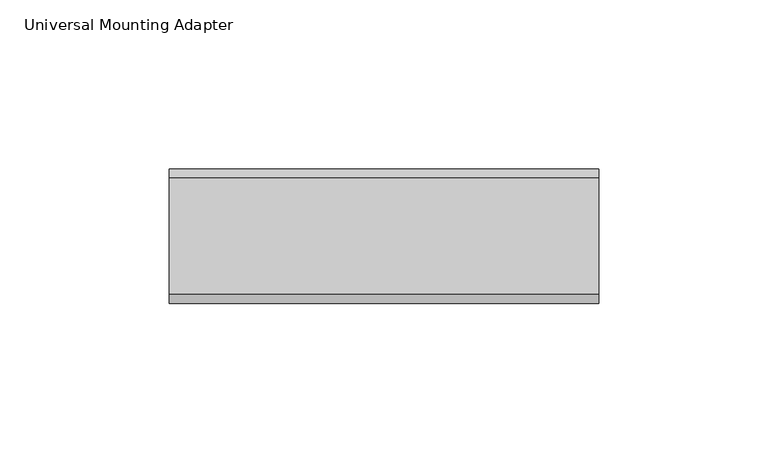
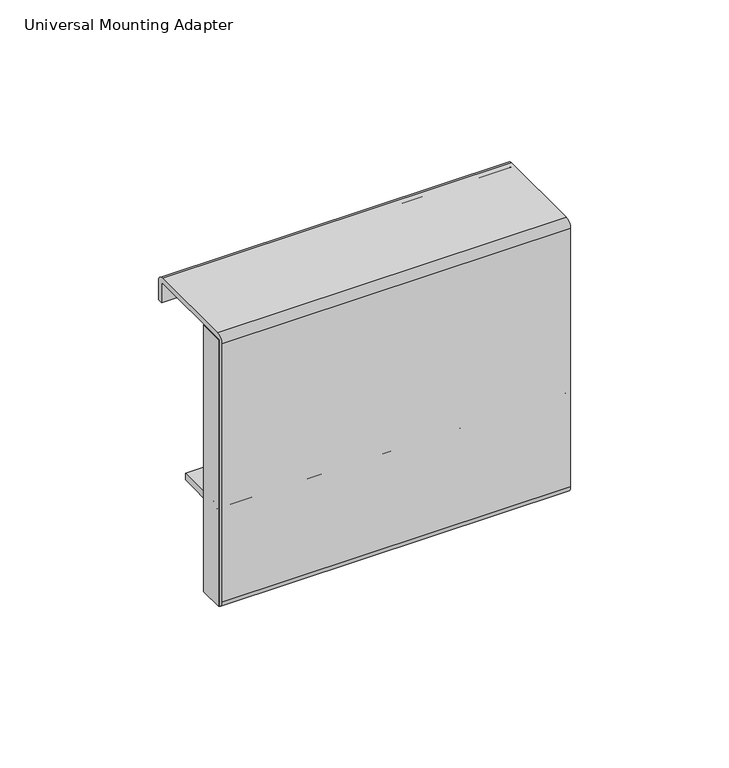
"""IFC4 building model written with IfcOpenShell, lengths in millimetres: furniture geometry, Universal Mounting Adapter."""

from ifc_helpers import new_model, si_unit, point, frame, frame_2d, origin, place, context, project, spatial, polyline, circle_curve, trimmed, segment, composite_curve, outline, extrude, source, transform, mapped, element, save


def universal_mounting_adapter_0a4e83d9(model_context):
    return source(origin(), model_context, "Body", "SweptSolid", [
        extrude(outline(polyline([(-62.9642711, -19.6635228), (-62.9642711, -10.3214033), (-59.7892696, -10.3214033), (-59.7892696, -19.6635228), (-62.9642711, -19.6635228)])), frame((0.0, 0.0, 758.8249969), z_axis=(0.0, 0.0, 1.0), x_axis=(1.0, 0.0, 0.0)), (0.0, 0.0, 1.0), 102.6236174),
        extrude(outline(polyline([(64.0357289, -19.6635228), (60.8607273, -19.6635228), (60.8607273, -10.3214033), (64.0357289, -10.3214033), (64.0357289, -19.6635228)])), frame((0.0, 0.0, 758.8249969), z_axis=(0.0, 0.0, 1.0), x_axis=(1.0, 0.0, 0.0)), (0.0, 0.0, 1.0), 102.6236174),
        extrude(outline(composite_curve([segment(trimmed(circle_curve(frame_2d((-18.9269228, 860.96602)), 2.63398), [point((-21.5609028, 860.96602))], [point((-18.9269228, 863.6))], False, "CARTESIAN"), True, "CONTINUOUS"), segment(polyline([(-18.9269228, 863.6), (15.6119962, 863.6)]), True, "CONTINUOUS"), segment(trimmed(circle_curve(frame_2d((15.6119962, 860.9660174)), 2.6339826), [point((15.6119962, 863.6))], [point((18.2459788, 860.9660174))], False, "CARTESIAN"), True, "CONTINUOUS"), segment(polyline([(18.2459788, 860.9660174), (18.2459788, 853.765117), (16.3485973, 853.765117), (16.3485973, 860.9660129)]), True, "CONTINUOUS"), segment(trimmed(circle_curve(frame_2d((15.6119962, 860.9660129)), 0.7366011), [point((16.3485973, 860.9660129))], [point((15.6119962, 861.702614))], True, "CARTESIAN"), True, "CONTINUOUS"), segment(polyline([(15.6119962, 861.702614), (-18.9269228, 861.702614)]), True, "CONTINUOUS"), segment(trimmed(circle_curve(frame_2d((-18.9269228, 860.966014)), 0.7366), [point((-18.9269228, 861.702614))], [point((-19.6635228, 860.966014))], True, "CARTESIAN"), True, "CONTINUOUS"), segment(polyline([(-19.6635228, 860.966014), (-19.6635228, 826.5020282), (-17.006683, 826.5020282), (-17.006683, 798.1454674)]), True, "CONTINUOUS"), segment(trimmed(circle_curve(frame_2d((-16.2700819, 798.1454674)), 0.7366011), [point((-17.006683, 798.1454674))], [point((-16.2700819, 797.4088663))], True, "CARTESIAN"), True, "CONTINUOUS"), segment(polyline([(-16.2700819, 797.4088663), (1.2673458, 797.4088663), (1.2673458, 794.7520267), (-16.270083, 794.7520267)]), True, "CONTINUOUS"), segment(trimmed(circle_curve(frame_2d((-16.270083, 798.1454689)), 3.3934422), [point((-16.270083, 794.7520267))], [point((-19.6635251, 798.1454689))], False, "CARTESIAN"), True, "CONTINUOUS"), segment(polyline([(-19.6635251, 798.1454689), (-19.6635251, 761.4589605)]), True, "CONTINUOUS"), segment(trimmed(circle_curve(frame_2d((-18.9269417, 761.4589605)), 0.7365835), [point((-19.6635251, 761.4589605))], [point((-18.9269414, 760.7223771))], True, "CARTESIAN"), True, "CONTINUOUS"), segment(polyline([(-18.9269414, 760.7223771), (-10.3214033, 760.7223771), (-10.3214033, 758.8249969), (-18.9269262, 758.8249969)]), True, "CONTINUOUS"), segment(trimmed(circle_curve(frame_2d((-18.9269262, 761.4589735)), 2.6339766), [point((-18.9269262, 758.8249969))], [point((-21.5609028, 761.4589735))], False, "CARTESIAN"), True, "CONTINUOUS"), segment(polyline([(-21.5609028, 761.4589735), (-21.5609028, 860.96602)]), True, "CONTINUOUS")], self_intersect=False)), frame((-62.9642711, 0.0, 0.0), z_axis=(1.0, 0.0, 0.0), x_axis=(0.0, 1.0, 0.0)), (0.0, 0.0, 1.0), 127.0),
    ])


if __name__ == "__main__":
    model = new_model("IFC4")
    model_context = context("Model", 3, world=origin())
    ifc_project = project(units=[si_unit("LENGTHUNIT", "METRE", prefix="MILLI")], contexts=[model_context])
    site = spatial("IfcSite", under=ifc_project)
    building = spatial("IfcBuilding", under=site)
    placement = place(None, origin())
    universal_mounting_adapter_shape = universal_mounting_adapter_0a4e83d9(model_context)
    element("IfcFurniture", 1, ObjectType="Universal Mounting Adapter", at=placement, inside=building, context=model_context, shape_type="MappedRepresentation", body=[
        mapped(universal_mounting_adapter_shape, transform((0.0, 0.0, 0.0), x_axis=(1.0, 0.0, 0.0), y_axis=(0.0, 1.0, 0.0), z_axis=(0.0, 0.0, 1.0))),
    ])
    save(model, "model.ifc")
